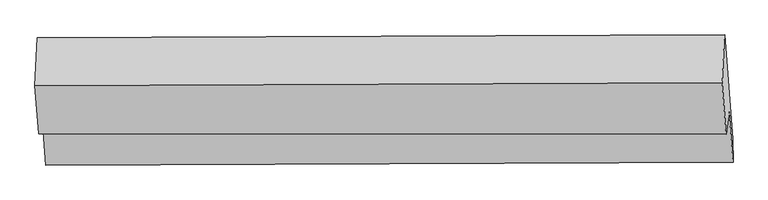
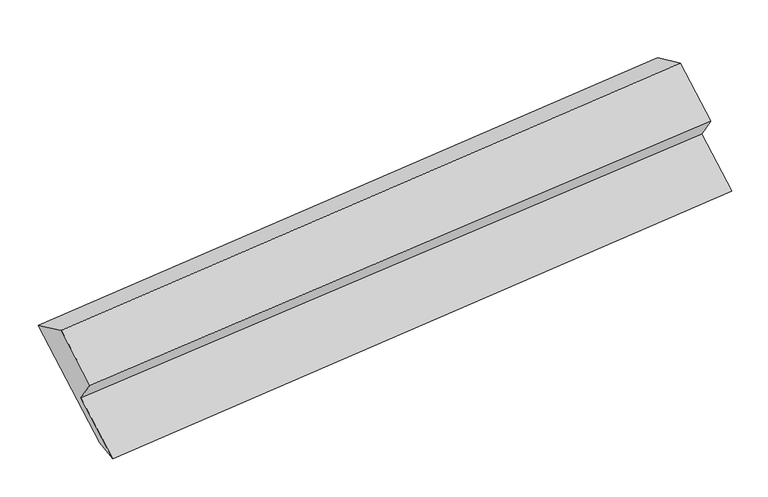
"""IFC4 building model written with IfcOpenShell, lengths in millimetres: proxy geometry."""

from ifc_helpers import new_model, si_unit, origin, place, context, project, spatial, faceted_brep, source, transform, mapped, element, save


def generic_models_ed2132bd(model_context):
    return source(origin(), model_context, "Body", "Brep", [
        faceted_brep([(-6346.1440611, -1810.8917172, 1090.5502103), (-6429.5482705, -743.8630983, 1891.9397287), (637.5390443, -716.3838417, 2624.2239412), (720.9432537, -1783.4124606, 1822.8344229), (-6341.2735236, -2054.0749318, 1046.6440122), (725.8137912, -2026.5956752, 1778.9282248), (-6384.2956065, -1503.6735302, 1460.0217851), (685.2868592, -1508.1158929, 2168.3313351), (-6414.9018737, -1734.4081763, 1764.0534373), (654.680592, -1738.8505391, 2472.3629873), (-6453.709341, -1237.9263017, 2136.935067), (613.3779738, -1210.4470452, 2869.2192796)], [[[0, 1, 2, 3]], [[4, 0, 3, 5]], [[6, 4, 5, 7]], [[8, 6, 7, 9]], [[10, 8, 9, 11]], [[1, 10, 11, 2]], [[9, 7, 5, 3, 2, 11]], [[1, 0, 4, 6, 8, 10]]]),
    ])


if __name__ == "__main__":
    model = new_model("IFC4")
    model_context = context("Model", 3, world=origin())
    ifc_project = project(units=[si_unit("LENGTHUNIT", "METRE", prefix="MILLI")], contexts=[model_context])
    site = spatial("IfcSite", under=ifc_project)
    building = spatial("IfcBuilding", under=site)
    placement = place(None, origin())
    generic_models_shape = generic_models_ed2132bd(model_context)
    element("IfcBuildingElementProxy", 1, Name="Generic Models", at=placement, inside=building, context=model_context, shape_type="MappedRepresentation", body=[
        mapped(generic_models_shape, transform((0.0, 0.0, 0.0), x_axis=(1.0, 0.0, 0.0), y_axis=(0.0, 1.0, 0.0), z_axis=(0.0, 0.0, 1.0))),
    ])
    save(model, "model.ifc")
